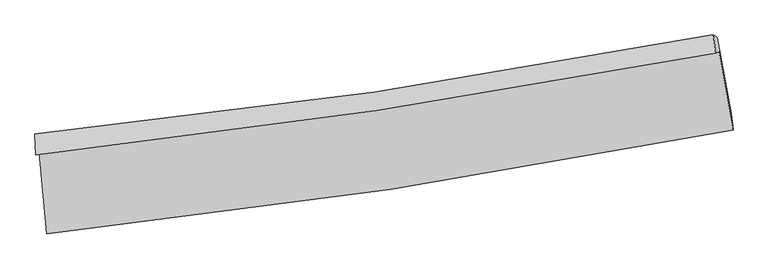
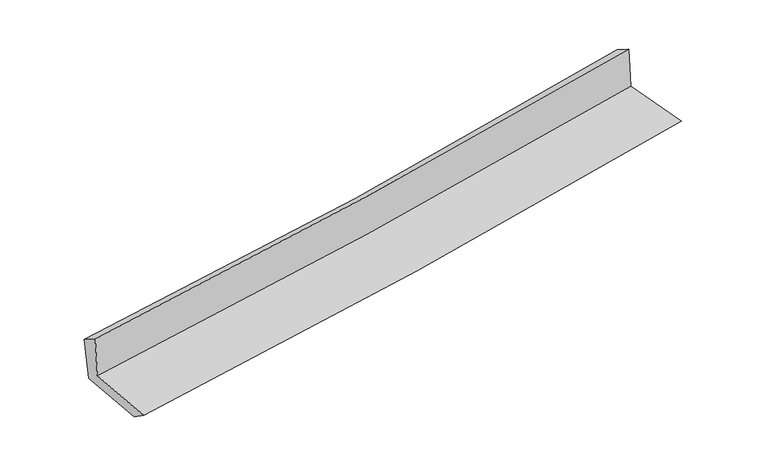
"""IFC4 building model written with IfcOpenShell, lengths in millimetres: proxy geometry."""

from ifc_helpers import new_model, si_unit, frame, origin, place, context, project, spatial, source, transform, mapped, element, save
from ifc_brep_helpers import plane_surface, spline_curve, spline_surface, advanced_brep


def generic_models_8ff691dd(model_context):
    return source(origin(), model_context, "Body", "AdvancedBrep", [
        advanced_brep(
        [(-2867.2087314, -1901.8090873, 1644.1446689), (-2805.7785466, -2579.0766692, 1624.9577862), (2937.4487482, -1706.8557861, 2119.5391516), (2820.8922324, -1052.0407171, 2123.5519209), (-2895.9188911, -1915.7104175, 2042.9197035), (2791.786124, -1066.1337638, 2527.826558), (-2903.3592928, -1742.8226444, 1938.0595435), (2771.7281498, -910.7108891, 2431.4810991), (-2871.3410933, -1765.9128601, 1538.8652218), (2806.8484323, -933.3155192, 2033.6067026), (-2811.316289, -2427.6861267, 1520.1172905), (2920.8883702, -1569.569114, 2019.6372563)],
        [
            (0, 1),
            (1, 2, spline_curve(3, [(-2805.7785466, -2579.0766692, 1624.9577862), (-1844.053218523, -2475.432098169, 1712.504833265), (-885.312045239, -2351.066927273, 1797.434739944), (1029.115272855, -2060.453143982, 1962.311174494), (1984.783197782, -1894.078020525, 2042.241722705), (2937.4487482, -1706.8557861, 2119.5391516)], [4, 2, 4], [0.0, 9.503327698760712, 19.035622870994384])),
            (2, 3),
            (3, 0, spline_curve(3, [(2820.8922324, -1052.0407171, 2123.5519209), (1876.768786798, -1230.15959216, 2045.285238699), (929.973267703, -1390.113220771, 1966.139162231), (-966.076602582, -1673.259107762, 1806.331408339), (-1915.31473806, -1796.561602658, 1725.675067334), (-2867.2087314, -1901.8090873, 1644.1446689)], [4, 2, 4], [0.0, 9.532295172233672, 19.035622870994384])),
            (4, 0),
            (3, 5),
            (5, 4, spline_curve(3, [(2791.786124, -1066.1337638, 2527.826558), (1847.860753339, -1244.156731931, 2446.808679857), (901.197217008, -1404.046455044, 2365.829402455), (-994.721071322, -1687.128630841, 2204.194018513), (-1943.959206872, -1810.431125605, 2123.537677753), (-2895.9188911, -1915.7104175, 2042.9197035)], [4, 2, 4], [0.0, 9.483589033287641, 18.93835860507241])),
            (6, 4),
            (5, 7),
            (7, 6, spline_curve(3, [(2771.7281498, -910.7108891, 2431.4810991), (1830.844495107, -1092.53733826, 2345.531106736), (886.754169326, -1252.866067079, 2261.37780546), (-1004.96110438, -1530.106192551, 2096.914856956), (-1952.566592904, -1647.148049247, 2016.59430631), (-2903.3592928, -1742.8226444, 1938.0595435)], [4, 2, 4], [0.0, 9.472320649305853, 18.915856080342827])),
            (8, 6),
            (7, 9),
            (9, 8, spline_curve(3, [(2806.8484323, -933.3155192, 2033.6067026), (1864.638375011, -1114.692197348, 1957.084021072), (919.626562914, -1274.836971379, 1877.526873616), (-973.120281375, -1552.240571883, 1712.594632147), (-1920.838311218, -1669.628244834, 1627.237952571), (-2871.3410933, -1765.9128601, 1538.8652218)], [4, 2, 4], [0.0, 9.463665689757505, 18.89857246260447])),
            (10, 8),
            (9, 11),
            (11, 10, spline_curve(3, [(2920.8883702, -1569.569114, 2019.6372563), (1969.848390402, -1754.66475411, 1942.349213549), (1015.913364634, -1918.799295795, 1862.01054764), (-894.839090443, -2204.711097505, 1695.48537976), (-1851.638950999, -2326.61555954, 1609.317390348), (-2811.316289, -2427.6861267, 1520.1172905)], [4, 2, 4], [0.0, 9.513410605337759, 18.997911125080368])),
            (1, 10),
            (11, 2),
        ],
        [
            spline_surface(3, 3, [[(-2867.2087314, -1901.8090873, 1644.1446689), (-1915.314737905, -1796.561602654, 1725.675067396), (-966.076602503, -1673.259107897, 1806.331408302), (929.973267624, -1390.113220635, 1966.139162268), (1876.768786828, -1230.159592015, 2045.285238672), (2820.8922324, -1052.0407171, 2123.5519209)], [(-2846.732003134, -2127.564947923, 1637.749041316), (-1891.560898133, -2022.851767812, 1721.284989334), (-939.155083458, -1899.195047677, 1803.365852255), (963.020602712, -1613.559861744, 1964.863166327), (1912.77359054, -1451.465734846, 2044.270733315), (2859.744404356, -1270.312406758, 2122.214331116)], [(-2826.255274866, -2353.320808577, 1631.353413784), (-1867.807058358, -2249.141933001, 1716.894911325), (-912.233564365, -2125.130987487, 1800.400296125), (996.067937849, -1837.00650288, 1963.587170301), (1948.778394184, -1672.771877703, 2043.256228011), (2898.596576244, -1488.584096442, 2120.876741384)], [(-2805.7785466, -2579.0766692, 1624.9577862), (-1844.053218586, -2475.432098159, 1712.504833264), (-885.31204532, -2351.066927267, 1797.434740079), (1029.115272937, -2060.453143988, 1962.31117436), (1984.783197896, -1894.078020534, 2042.241722654), (2937.4487482, -1706.8557861, 2119.5391516)]], [4, 4], [4, 2, 4], [0.0, 2.231205706167028], [0.0, 9.503327698760712, 19.035622870994384]),
            spline_surface(3, 3, [[(-2895.9188911, -1915.7104175, 2042.9197035), (-1943.95920681, -1810.431125666, 2123.537677623), (-994.721071307, -1687.128630909, 2204.194018529), (901.197216994, -1404.046454976, 2365.829402438), (1847.86075321, -1244.156731797, 2446.808679713), (2791.786124, -1066.1337638, 2527.826558)], [(-2886.348837886, -1911.076640788, 1909.994691964), (-1934.411050527, -1805.80795135, 1990.916807545), (-985.172915025, -1682.505456593, 2071.573148451), (910.789233885, -1399.40204355, 2232.599322379), (1857.496764403, -1239.491018528, 2312.967532716), (2801.48816012, -1061.436081558, 2393.06834565)], [(-2876.778784614, -1906.442864012, 1777.069680436), (-1924.862894188, -1801.18477697, 1858.295937474), (-975.624758786, -1677.882282213, 1938.95227838), (920.381250733, -1394.757632061, 2099.369242327), (1867.132775635, -1234.825305284, 2179.126385669), (2811.19019628, -1056.738399342, 2258.31013325)], [(-2867.2087314, -1901.8090873, 1644.1446689), (-1915.314737905, -1796.561602654, 1725.675067396), (-966.076602503, -1673.259107897, 1806.331408302), (929.973267624, -1390.113220635, 1966.139162268), (1876.768786828, -1230.159592015, 2045.285238672), (2820.8922324, -1052.0407171, 2123.5519209)]], [4, 4], [4, 2, 4], [0.0, 1.3125098396078454], [0.0, 9.454769571784768, 18.93835860507241]),
            spline_surface(3, 3, [[(-2903.3592928, -1742.8226444, 1938.0595435), (-1952.566593054, -1647.148049143, 2016.594306276), (-1004.961104498, -1530.106192704, 2096.9148569), (886.754169444, -1252.866066925, 2261.377805516), (1830.844495094, -1092.537338291, 2345.531106751), (2771.7281498, -910.7108891, 2431.4810991)], [(-2900.879158873, -1800.451902082, 1973.012930181), (-1949.697464279, -1701.5757413, 2052.24209674), (-1001.547760097, -1582.447005431, 2132.674577434), (891.568518631, -1303.2595296, 2296.19500448), (1836.516581154, -1143.07713614, 2379.290297743), (2778.414141221, -962.518514014, 2463.596252071)], [(-2898.399025027, -1858.081159818, 2007.966316819), (-1946.828335584, -1756.00343351, 2087.88988716), (-998.134415708, -1634.787818182, 2168.434297996), (896.382867807, -1353.652992301, 2331.012203473), (1842.18866715, -1193.616933947, 2413.049488722), (2785.100132579, -1014.326138886, 2495.711405029)], [(-2895.9188911, -1915.7104175, 2042.9197035), (-1943.95920681, -1810.431125666, 2123.537677623), (-994.721071307, -1687.128630909, 2204.194018529), (901.197216994, -1404.046454976, 2365.829402438), (1847.86075321, -1244.156731797, 2446.808679713), (2791.786124, -1066.1337638, 2527.826558)]], [4, 4], [4, 2, 4], [0.0, 0.6146962342775885], [0.0, 9.443535431036974, 18.915856080342827]),
            spline_surface(3, 3, [[(-2871.3410933, -1765.9128601, 1538.8652218), (-1920.838311275, -1669.628244963, 1627.237952667), (-973.120281416, -1552.240571996, 1712.594632045), (919.626562955, -1274.836971265, 1877.526873718), (1864.63837496, -1114.692197238, 1957.084021228), (2806.8484323, -933.3155192, 2033.6067026)], [(-2882.01382647, -1758.216121554, 1671.929995704), (-1931.414405205, -1662.134846377, 1757.023403875), (-983.733889112, -1544.862445571, 1840.701373661), (908.669098449, -1267.513336491, 2005.477184315), (1853.37374833, -1107.307244248, 2086.566383053), (2795.141671458, -925.780642492, 2166.231501418)], [(-2892.68655963, -1750.519382946, 1804.994769596), (-1941.990499124, -1654.64144773, 1886.808855069), (-994.347496801, -1537.484319129, 1968.808115284), (897.71163395, -1260.189701699, 2133.427494919), (1842.109121725, -1099.922291281, 2216.048744925), (2783.434910642, -918.245765808, 2298.856300282)], [(-2903.3592928, -1742.8226444, 1938.0595435), (-1952.566593054, -1647.148049143, 2016.594306276), (-1004.961104498, -1530.106192704, 2096.9148569), (886.754169444, -1252.866066925, 2261.377805516), (1830.844495094, -1092.537338291, 2345.531106751), (2771.7281498, -910.7108891, 2431.4810991)]], [4, 4], [4, 2, 4], [0.0, 1.2666530793422186], [0.0, 9.434906772846965, 18.89857246260447]),
            spline_surface(3, 3, [[(-2811.316289, -2427.6861267, 1520.1172905), (-1851.638950966, -2326.615559639, 1609.317390276), (-894.839090433, -2204.711097355, 1695.485379684), (1015.913364624, -1918.799295945, 1862.010547716), (1969.848390464, -1754.664754011, 1942.349213575), (2920.8883702, -1569.569114, 2019.6372563)], [(-2831.3245571, -2207.095037834, 1526.366600923), (-1874.705404402, -2107.619788081, 1615.290911063), (-920.932820758, -1987.220922228, 1701.188463792), (983.817764071, -1704.145187711, 1867.182656371), (1934.778385284, -1541.340568442, 1947.260816139), (2882.875057554, -1357.484582422, 2024.293738413)], [(-2851.3328252, -1986.503948966, 1532.615911377), (-1897.771857838, -1888.624016521, 1621.264431881), (-947.026551091, -1769.730747123, 1706.891547937), (951.722163508, -1489.4910795, 1872.354765063), (1899.708380141, -1328.016382806, 1952.172418664), (2844.861744946, -1145.400050778, 2028.950220487)], [(-2871.3410933, -1765.9128601, 1538.8652218), (-1920.838311275, -1669.628244963, 1627.237952667), (-973.120281416, -1552.240571996, 1712.594632045), (919.626562955, -1274.836971265, 1877.526873718), (1864.63837496, -1114.692197238, 1957.084021228), (2806.8484323, -933.3155192, 2033.6067026)]], [4, 4], [4, 2, 4], [0.0, 2.14652459421958], [0.0, 9.484500519742609, 18.997911125080368]),
            spline_surface(3, 3, [[(-2805.7785466, -2579.0766692, 1624.9577862), (-1844.053218586, -2475.432098159, 1712.504833264), (-885.31204532, -2351.066927267, 1797.434740079), (1029.115272937, -2060.453143988, 1962.31117436), (1984.783197896, -1894.078020534, 2042.241722654), (2937.4487482, -1706.8557861, 2119.5391516)], [(-2807.624460736, -2528.613155019, 1590.010954311), (-1846.581796048, -2425.826585305, 1678.109018946), (-888.487727027, -2302.281650629, 1763.451619946), (1024.71463683, -2013.235194639, 1928.877632144), (1979.804928743, -1847.606931681, 2008.944219627), (2931.92862219, -1661.093562055, 2086.238519833)], [(-2809.470374864, -2478.149640881, 1555.064122389), (-1849.110373503, -2376.221072493, 1643.713204594), (-891.663408726, -2253.496373994, 1729.468499817), (1020.314000731, -1966.017245294, 1895.444089932), (1974.826659618, -1801.135842863, 1975.646716602), (2926.40849621, -1615.331338045, 2052.937888067)], [(-2811.316289, -2427.6861267, 1520.1172905), (-1851.638950966, -2326.615559639, 1609.317390276), (-894.839090433, -2204.711097355, 1695.485379684), (1015.913364624, -1918.799295945, 1862.010547716), (1969.848390464, -1754.664754011, 1942.349213575), (2920.8883702, -1569.569114, 2019.6372563)]], [4, 4], [4, 2, 4], [0.0, 0.5784928240515681], [0.0, 9.541685544021911, 19.11245548159997]),
            plane_surface(frame((2841.5986762, -1206.4376316, 2209.2737814), z_axis=(0.9817017152719434, 0.174271702725826, 0.07675360487407576), x_axis=(-0.087787418799661, 0.05650302300252761, 0.994535458137149))),
            plane_surface(frame((-2859.1538074, -2055.5029675, 1718.1773691), z_axis=(-0.9933257982218889, -0.08798469452739519, -0.074582518834969), x_axis=(-0.09029622169696608, 0.9955155421189325, 0.028202796792172254))),
        ],
        [
            (0, [[1, 2, 3, 4]]),
            (1, [[5, -4, 6, 7]]),
            (2, [[8, -7, 9, 10]]),
            (3, [[11, -10, 12, 13]]),
            (4, [[14, -13, 15, 16]]),
            (5, [[17, -16, 18, -2]]),
            (6, [[-12, -9, -6, -3, -18, -15]]),
            (7, [[-1, -5, -8, -11, -14, -17]]),
        ],
    ),
    ])


if __name__ == "__main__":
    model = new_model("IFC4")
    model_context = context("Model", 3, world=origin())
    ifc_project = project(units=[si_unit("LENGTHUNIT", "METRE", prefix="MILLI")], contexts=[model_context])
    site = spatial("IfcSite", under=ifc_project)
    building = spatial("IfcBuilding", under=site)
    placement = place(None, origin())
    generic_models_shape = generic_models_8ff691dd(model_context)
    element("IfcBuildingElementProxy", 1, Name="Generic Models", at=placement, inside=building, context=model_context, shape_type="MappedRepresentation", body=[
        mapped(generic_models_shape, transform((0.0, 0.0, 0.0), x_axis=(1.0, 0.0, 0.0), y_axis=(0.0, 1.0, 0.0), z_axis=(0.0, 0.0, 1.0))),
    ])
    save(model, "model.ifc")
